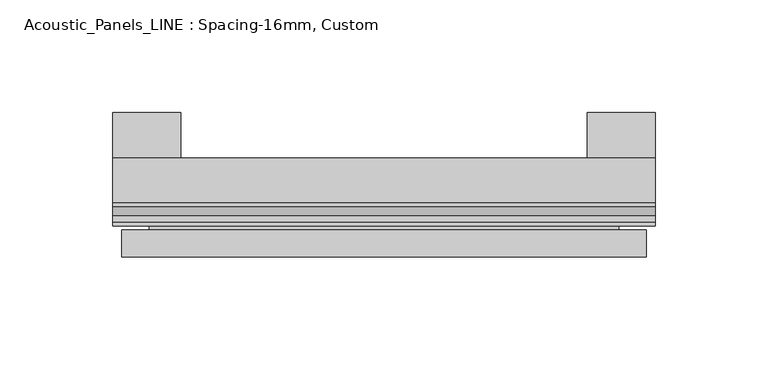
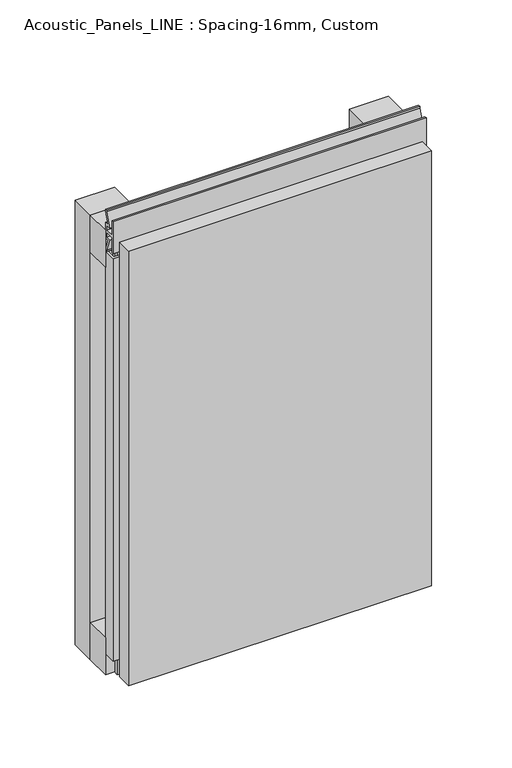
"""IFC4 building model written with IfcOpenShell, lengths in millimetres: plate geometry, Acoustic_Panels_LINE : Spacing-16mm, Custom."""

import ifcopenshell
import ifcopenshell.guid

model = None  # the IFC model being written
_history = None  # IfcOwnerHistory: only IFC2X3 demands one
_inside = {}  # id of a spatial element -> (the spatial element, [elements in it])
_under = {}  # id of a project, library or spatial element -> (it, [spatial elements below it])
_declared = {}  # id of a project -> (the project, [libraries it declares])
_typed = {}  # id of a type object -> (the type object, [elements of that type])
_made_of = {}  # id of a material, layer set ... -> (it, [elements and type objects made of it])


def new_model(schema):
    """Start an empty IFC model of exactly this schema.

    Asked for "IFC4X3", IfcOpenShell would pick the latest addendum, in which some entities
    have other attributes; the version numbers below select the first issue.
    IFC2X3 requires an IfcOwnerHistory on every rooted entity: one is made here for all.
    """
    global model, _history
    if schema == "IFC4X3":
        model = ifcopenshell.file(schema_version=(4, 3, 0, 0))
    else:
        model = ifcopenshell.file(schema=schema)
    _inside.clear()
    _under.clear()
    _declared.clear()
    _typed.clear()
    _made_of.clear()
    _history = None
    if model.schema == "IFC2X3":
        org = make("IfcOrganization", Name="unknown")
        user = make(
            "IfcPersonAndOrganization",
            ThePerson=make("IfcPerson", FamilyName="unknown"),
            TheOrganization=org,
        )
        app = make(
            "IfcApplication",
            ApplicationDeveloper=org,
            Version="unknown",
            ApplicationFullName="unknown",
            ApplicationIdentifier="unknown",
        )
        _history = make(
            "IfcOwnerHistory",
            OwningUser=user,
            OwningApplication=app,
            ChangeAction="ADDED",
            CreationDate=0,
        )
    return model


def make(cls, **values):
    """One entity of the class cls with the attributes given. An attribute that is None is left unset."""
    return model.create_entity(
        cls, **{name: value for name, value in values.items() if value is not None}
    )


def rooted(cls, **values):
    """An entity with a GlobalId (a new one), such as an element, a storey or a relation."""
    return make(cls, GlobalId=ifcopenshell.guid.new(), OwnerHistory=_history, **values)


def si_unit(unit_type, name, prefix=None):
    """IfcSIUnit, for example si_unit("LENGTHUNIT", "METRE", prefix="MILLI")."""
    return make("IfcSIUnit", UnitType=unit_type, Prefix=prefix, Name=name)


def assignment(units):
    """IfcUnitAssignment: the units of a project."""
    return None if units is None else make("IfcUnitAssignment", Units=units)


def point(xyz):
    """IfcCartesianPoint."""
    return None if xyz is None else make("IfcCartesianPoint", Coordinates=xyz)


def direction(xyz):
    """IfcDirection."""
    return None if xyz is None else make("IfcDirection", DirectionRatios=xyz)


def frame(location, z_axis=None, x_axis=None):
    """IfcAxis2Placement3D, a coordinate frame: its origin and axes. An axis left out is left unset."""
    return make(
        "IfcAxis2Placement3D",
        Location=point(location),
        Axis=direction(z_axis),
        RefDirection=direction(x_axis),
    )


def origin():
    """The frame at (0, 0, 0) with its axes left unset."""
    return frame((0.0, 0.0, 0.0))


def origin_with_axes():
    """The frame at (0, 0, 0) with the z axis (0, 0, 1) and the x axis (1, 0, 0) written out."""
    return frame((0.0, 0.0, 0.0), z_axis=(0.0, 0.0, 1.0), x_axis=(1.0, 0.0, 0.0))


def place(relative_to, where):
    """IfcLocalPlacement: puts the frame where relative to a parent placement (None: the world)."""
    return make(
        "IfcLocalPlacement", PlacementRelTo=relative_to, RelativePlacement=where
    )


def context(
    kind, dimensions, precision=None, world=None, true_north=None, identifier=None
):
    """IfcGeometricRepresentationContext, for example the 3D "Model" context."""
    return make(
        "IfcGeometricRepresentationContext",
        ContextIdentifier=identifier,
        ContextType=kind,
        CoordinateSpaceDimension=dimensions,
        Precision=precision,
        WorldCoordinateSystem=world,
        TrueNorth=true_north,
    )


def project(units=None, contexts=None):
    """IfcProject with its units and contexts."""
    return rooted(
        "IfcProject",
        Name="project",
        RepresentationContexts=contexts,
        UnitsInContext=assignment(units),
    )


def spatial(cls, under=None, at=None, **own):
    """A site, building, storey or space (cls), placed at a placement, below another one or the project."""
    s = rooted(cls, ObjectPlacement=at, **own)
    if under is not None:
        _under.setdefault(under.id(), (under, []))[1].append(s)
    return s


def polyline(points):
    """IfcPolyline through the points."""
    return make("IfcPolyline", Points=[point(p) for p in points])


def outline(outer, holes=None, kind="AREA"):
    """IfcArbitraryClosedProfileDef: a profile drawn as a closed curve; with holes, ...WithVoids."""
    if holes is None:
        return make("IfcArbitraryClosedProfileDef", ProfileType=kind, OuterCurve=outer)
    return make(
        "IfcArbitraryProfileDefWithVoids",
        ProfileType=kind,
        OuterCurve=outer,
        InnerCurves=holes,
    )


def extrude(swept, where, along, depth):
    """IfcExtrudedAreaSolid: the profile swept, set in the frame where, extruded along a direction by depth."""
    return make(
        "IfcExtrudedAreaSolid",
        SweptArea=swept,
        Position=where,
        ExtrudedDirection=direction(along),
        Depth=depth,
    )


def faces_of(points, faces, orient=None, outer=None):
    """IfcFace entities. A face is a list of loops; a loop is a list of indices into points, from 0.

    orient and outer hold one flag for each loop. By default every Orientation is true, the
    first loop of a face is its IfcFaceOuterBound and the others are IfcFaceBound.
    """
    made = []
    for i, loops in enumerate(faces):
        bounds = []
        for j, loop in enumerate(loops):
            is_outer = j == 0 if outer is None else outer[i][j]
            bounds.append(
                make(
                    "IfcFaceOuterBound" if is_outer else "IfcFaceBound",
                    Bound=make("IfcPolyLoop", Polygon=[points[k] for k in loop]),
                    Orientation=True if orient is None else orient[i][j],
                )
            )
        made.append(make("IfcFace", Bounds=bounds))
    return made


def faceted_brep(points, faces, orient=None, outer=None, voids=None):
    """IfcFacetedBrep: a solid bounded by flat faces; with voids (closed shells), ...WithVoids."""
    shared = [point(p) for p in points]
    hull = make("IfcClosedShell", CfsFaces=faces_of(shared, faces, orient, outer))
    if voids is None:
        return make("IfcFacetedBrep", Outer=hull)
    return make(
        "IfcFacetedBrepWithVoids",
        Outer=hull,
        Voids=[
            make(cls, CfsFaces=faces_of(shared, fs, o, b)) for cls, fs, o, b in voids
        ],
    )


def shape(context_of_items, identifier, shape_type, items):
    """IfcShapeRepresentation: the items that make up one representation, for example the "Body"."""
    return make(
        "IfcShapeRepresentation",
        ContextOfItems=context_of_items,
        RepresentationIdentifier=identifier,
        RepresentationType=shape_type,
        Items=items,
    )


def source(mapping_origin, context_of_items, identifier, shape_type, items):
    """IfcRepresentationMap: a shape defined once, which mapped items show again and again."""
    return make(
        "IfcRepresentationMap",
        MappingOrigin=mapping_origin,
        MappedRepresentation=shape(context_of_items, identifier, shape_type, items),
    )


def transform(
    local_origin,
    x_axis=None,
    y_axis=None,
    z_axis=None,
    scale=None,
    scale2=None,
    scale3=None,
    uniform=True,
):
    """IfcCartesianTransformationOperator3D, or its non-uniform kind. x_axis, y_axis, z_axis: its Axis1, 2, 3."""
    if uniform:
        return make(
            "IfcCartesianTransformationOperator3D",
            Axis1=direction(x_axis),
            Axis2=direction(y_axis),
            LocalOrigin=point(local_origin),
            Scale=scale,
            Axis3=direction(z_axis),
        )
    return make(
        "IfcCartesianTransformationOperator3DnonUniform",
        Axis1=direction(x_axis),
        Axis2=direction(y_axis),
        LocalOrigin=point(local_origin),
        Scale=scale,
        Axis3=direction(z_axis),
        Scale2=scale2,
        Scale3=scale3,
    )


def mapped(mapping_source, mapping_target):
    """IfcMappedItem: shows the shape of a source again, moved by a transform."""
    return make(
        "IfcMappedItem", MappingSource=mapping_source, MappingTarget=mapping_target
    )


def made_of(thing, what):
    """Note that an element or type object is made of a material, layer set ...; save() writes the relation."""
    if what is not None:
        _made_of.setdefault(what.id(), (what, []))[1].append(thing)
    return thing


def element(
    cls,
    number,
    at=None,
    inside=None,
    cuts=None,
    type_object=None,
    material=None,
    context=None,
    identifier="Body",
    shape_type=None,
    held_by="IfcProductDefinitionShape",
    body=None,
    shapes=None,
    **own,
):
    """One element of the class cls, such as IfcWall. Its Tag is "e" and its number.

    at: its placement. inside: the storey or other place that contains it. cuts: it is an
    opening in that element (IfcRelVoidsElement). A single representation is given by context,
    identifier, shape_type and body (its items); several are given by shapes. held_by: the class
    of the entity that holds the representations. save() writes the other relations.
    """
    e = rooted(cls, Tag="e%d" % number, ObjectPlacement=at, **own)
    if body is not None:
        shapes = [shape(context, identifier, shape_type, body)]
    if shapes is not None:
        e.Representation = make(held_by, Representations=shapes)
    if inside is not None:
        _inside.setdefault(inside.id(), (inside, []))[1].append(e)
    if cuts is not None:
        rooted(
            "IfcRelVoidsElement", RelatingBuildingElement=cuts, RelatedOpeningElement=e
        )
    if type_object is not None:
        _typed.setdefault(type_object.id(), (type_object, []))[1].append(e)
    return made_of(e, material)


def aggregate(whole, parts):
    """IfcRelAggregates: a whole, such as a stair, and the parts it consists of."""
    return rooted("IfcRelAggregates", RelatingObject=whole, RelatedObjects=parts)


def save(model, path):
    """Write the relations noted so far, then the file.

    IfcRelAggregates (storeys below a building ...), IfcRelContainedInSpatialStructure (elements
    in a storey), IfcRelDefinesByType, IfcRelAssociatesMaterial and IfcRelDeclares: one each for
    every whole, place, type object, material and project.
    """
    for whole, parts in _under.values():
        aggregate(whole, parts)
    for where, things in _inside.values():
        rooted(
            "IfcRelContainedInSpatialStructure",
            RelatedElements=things,
            RelatingStructure=where,
        )
    for kind, things in _typed.values():
        rooted("IfcRelDefinesByType", RelatedObjects=things, RelatingType=kind)
    for what, things in _made_of.values():
        rooted("IfcRelAssociatesMaterial", RelatedObjects=things, RelatingMaterial=what)
    for by, libraries in _declared.values():
        rooted("IfcRelDeclares", RelatingContext=by, RelatedDefinitions=libraries)
    model.write(path)


def acoustic_panels_line_spacing_16mm_custom_00ca297e(model_context):
    return source(origin(), model_context, "Body", "SolidModel", [
        extrude(outline(polyline([(-120.0, -40.0), (-120.0, -20.0), (120.0, -20.0), (120.0, -40.0), (-120.0, -40.0)])), frame((0.0, 0.0, 330.0), z_axis=(0.0, 0.0, 1.0), x_axis=(1.0, 0.0, 0.0)), (0.0, 0.0, 1.0), 30.0),
        extrude(outline(polyline([(-120.0, -40.0), (-120.0, -20.0), (120.0, -20.0), (120.0, -40.0), (-120.0, -40.0)])), origin_with_axes(), (0.0, 0.0, 1.0), 30.0),
        extrude(outline(polyline([(90.0, 0.0), (120.0, 0.0), (120.0, -20.0), (90.0, -20.0), (90.0, 0.0)])), origin_with_axes(), (0.0, 0.0, 1.0), 360.0),
        extrude(outline(polyline([(-90.0, 0.0), (-90.0, -20.0), (-120.0, -20.0), (-120.0, 0.0), (-90.0, 0.0)])), origin_with_axes(), (0.0, 0.0, 1.0), 360.0),
        extrude(outline(polyline([(-113.700916, -40.0), (-113.700916, -43.5), (-104.6441401, -40.0553267), (-97.008452, -40.0553267), (-97.008452, -41.4553267), (-104.4296606, -41.4553267), (-115.100916, -45.5140545), (-115.100916, -41.4), (-118.5843193, -41.4), (-118.5843193, -48.7), (-106.5843193, -48.7), (-106.5843193, -50.1), (-120.0, -50.1), (-120.0, -40.0), (-113.700916, -40.0)])), frame((0.0, 0.0, 16.9558599), z_axis=(0.0, 0.0, 1.0), x_axis=(1.0, 0.0, 0.0)), (0.0, 0.0, 1.0), 326.0882802),
        extrude(outline(polyline([(-48.7, 360.899084), (-41.4, 360.899084), (-41.4, 364.899084), (-45.5140545, 364.899084), (-41.4553267, 375.5703394), (-41.4553267, 376.9558599), (-40.0553267, 376.9558599), (-40.0553267, 375.3558599), (-43.5, 366.299084), (-40.0, 366.299084), (-40.0, 353.700916), (-43.5, 353.700916), (-40.0553267, 344.6441401), (-40.0553267, 343.0441401), (-41.4553267, 343.0441401), (-41.4553267, 344.4296606), (-45.5140545, 355.100916), (-41.4, 355.100916), (-41.4, 359.100916), (-48.7, 359.100916), (-48.7, 347.100916), (-50.1, 347.100916), (-50.1, 372.899084), (-48.7, 372.899084), (-48.7, 360.899084)])), frame((-120.0, 0.0, 0.0), z_axis=(1.0, 0.0, 0.0), x_axis=(0.0, 1.0, 0.0)), (0.0, 0.0, 1.0), 240.0),
        faceted_brep([(116.0, -45.9, 356.0), (-116.0, -45.9, 356.0), (-116.0, -48.7, 356.0), (116.0, -48.7, 356.0), (-116.0, -63.9, 356.0), (116.0, -63.9, 356.0), (116.0, -51.9, 356.0), (-116.0, -51.9, 356.0), (-116.0, -45.9, 4.0), (116.0, -45.9, 4.0), (116.0, -48.7, 4.0), (-116.0, -48.7, 4.0), (116.0, -63.9, 4.0), (-116.0, -63.9, 4.0), (-116.0, -51.9, 4.0), (116.0, -51.9, 4.0), (104.0, -51.9, 344.0), (104.0, -51.9, 16.0), (104.0, -48.7, 16.0), (104.0, -48.7, 344.0), (-104.0, -51.9, 16.0), (-104.0, -48.7, 16.0), (-104.0, -51.9, 344.0), (-104.0, -48.7, 344.0)], [[[0, 1, 2, 3]], [[4, 5, 6, 7]], [[8, 9, 10, 11]], [[12, 13, 14, 15]], [[1, 0, 9, 8]], [[1, 8, 11, 2]], [[13, 4, 7, 14]], [[5, 4, 13, 12]], [[9, 0, 3, 10]], [[5, 12, 15, 6]], [[16, 17, 18, 19]], [[18, 17, 20, 21]], [[21, 20, 22, 23]], [[16, 19, 23, 22]], [[7, 6, 15, 14], [17, 16, 22, 20]], [[3, 2, 11, 10], [19, 18, 21, 23]]]),
    ])


if __name__ == "__main__":
    model = new_model("IFC4")
    model_context = context("Model", 3, world=origin())
    ifc_project = project(units=[si_unit("LENGTHUNIT", "METRE", prefix="MILLI")], contexts=[model_context])
    site = spatial("IfcSite", under=ifc_project)
    building = spatial("IfcBuilding", under=site)
    placement = place(None, origin())
    acoustic_panels_line_spacing_16mm_custom_shape = acoustic_panels_line_spacing_16mm_custom_00ca297e(model_context)
    element("IfcPlate", 1, ObjectType="Acoustic_Panels_LINE : Spacing-16mm, Custom", at=placement, inside=building, context=model_context, shape_type="MappedRepresentation", body=[
        mapped(acoustic_panels_line_spacing_16mm_custom_shape, transform((0.0, 0.0, 0.0), x_axis=(1.0, 0.0, 0.0), y_axis=(0.0, 1.0, 0.0), z_axis=(0.0, 0.0, 1.0))),
    ])
    save(model, "model.ifc")
